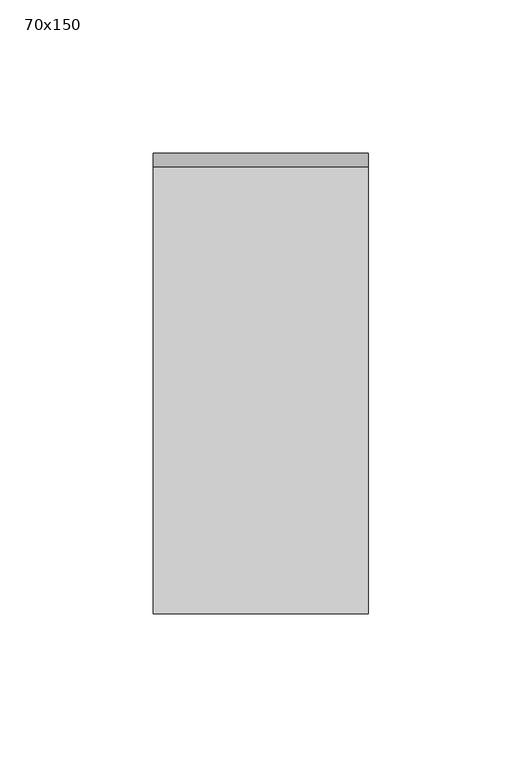
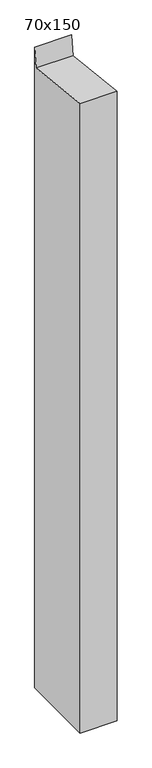
"""IFC4 building model written with IfcOpenShell, lengths in millimetres: member geometry, 70x150."""

from ifc_helpers import new_model, si_unit, frame, origin, place, context, project, spatial, polyline, outline, extrude, source, transform, mapped, element, save


def member_70x150_039baa39(model_context):
    return source(origin(), model_context, "Body", "SweptSolid", [
        extrude(outline(polyline([(-75.0, 8.1118336), (70.6798324, -8.0622955), (75.0, 30.8493077), (75.0, -1257.3998205), (-75.0, -1257.3998205), (-75.0, 8.1118336)])), frame((-70.0, 0.0, 0.0), z_axis=(1.0, 0.0, 0.0), x_axis=(0.0, 1.0, 0.0)), (0.0, 0.0, 1.0), 70.0),
    ])


if __name__ == "__main__":
    model = new_model("IFC4")
    model_context = context("Model", 3, world=origin())
    ifc_project = project(units=[si_unit("LENGTHUNIT", "METRE", prefix="MILLI")], contexts=[model_context])
    site = spatial("IfcSite", under=ifc_project)
    building = spatial("IfcBuilding", under=site)
    placement = place(None, origin())
    member_70x150_shape = member_70x150_039baa39(model_context)
    element("IfcMember", 1, ObjectType="70x150", at=placement, inside=building, context=model_context, shape_type="MappedRepresentation", body=[
        mapped(member_70x150_shape, transform((0.0, 0.0, 0.0), x_axis=(1.0, 0.0, 0.0), y_axis=(0.0, 1.0, 0.0), z_axis=(0.0, 0.0, 1.0))),
    ])
    save(model, "model.ifc")
